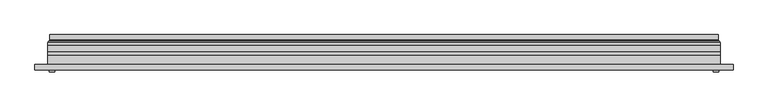
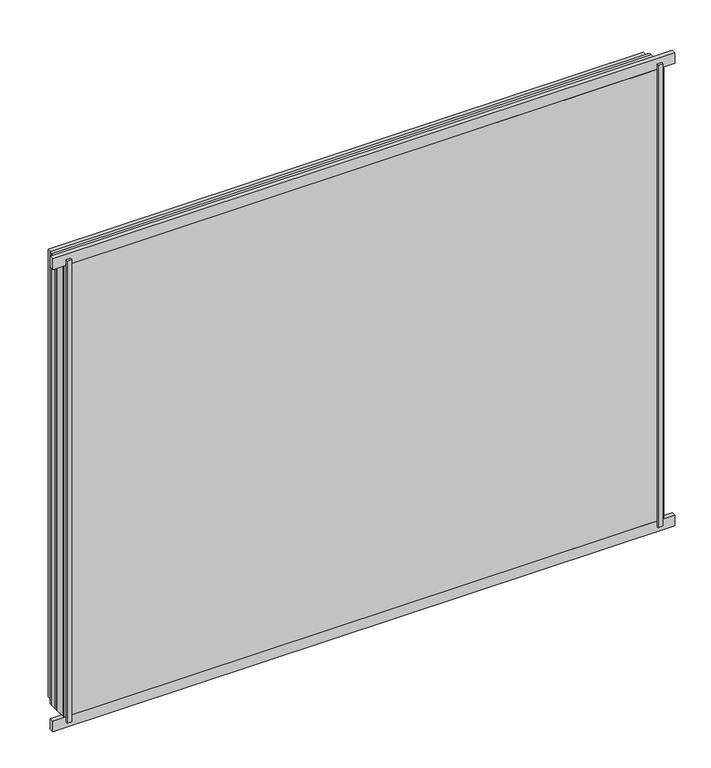
"""IFC4 building model written with IfcOpenShell, lengths in millimetres: plate geometry."""

from ifc_helpers import new_model, si_unit, frame, origin, origin_with_axes, place, context, project, spatial, polyline, ellipse_curve, outline, extrude, source, transform, mapped, element, save
from ifc_brep_helpers import plane_surface, cylinder_surface, revolved_surface, advanced_brep


def plate_bf51fdfe(model_context):
    return source(origin(), model_context, "Body", "SolidModel", [
        extrude(outline(polyline([(33.5, -591.5), (33.5, 591.5), (966.5, 591.5), (966.5, -591.5), (33.5, -591.5)]), holes=[polyline([(38.5, 586.5), (38.5, -586.5), (961.5, -586.5), (961.5, 586.5), (38.5, 586.5)])]), frame((0.0, 0.0, 0.0), z_axis=(0.0, 1.0, 0.0), x_axis=(0.0, 0.0, 1.0)), (0.0, 0.0, 1.0), 12.0),
        extrude(outline(polyline([(11.5, -613.5), (11.5, 613.5), (988.5, 613.5), (988.5, -613.5), (11.5, -613.5)]), holes=[polyline([(33.5, 591.5), (33.5, -591.5), (966.5, -591.5), (966.5, 591.5), (33.5, 591.5)])]), frame((0.0, -26.0, 0.0), z_axis=(0.0, 1.0, 0.0), x_axis=(0.0, 0.0, 1.0)), (0.0, 0.0, 1.0), 20.0),
        extrude(outline(polyline([(11.5, -613.5), (11.5, 613.5), (988.5, 613.5), (988.5, -613.5), (11.5, -613.5)]), holes=[polyline([(33.5, 591.5), (33.5, -591.5), (966.5, -591.5), (966.5, 591.5), (33.5, 591.5)])]), frame((0.0, -26.0, 0.0), z_axis=(0.0, 1.0, 0.0), x_axis=(0.0, 0.0, 1.0)), (0.0, 0.0, 1.0), 20.0),
        extrude(outline(polyline([(613.5, -6.0), (-613.5, -6.0), (-613.5, 0.0), (613.5, 0.0), (613.5, -6.0)])), frame((0.0, 0.0, 11.5), z_axis=(0.0, 0.0, 1.0), x_axis=(1.0, 0.0, 0.0)), (0.0, 0.0, 1.0), 977.0),
        extrude(outline(polyline([(600.0, -32.0), (610.0, -32.0), (610.0, -36.0), (600.0, -36.0), (600.0, -32.0)])), origin_with_axes(), (0.0, 0.0, 1.0), 1000.0),
        extrude(outline(polyline([(-600.0, -32.0), (-600.0, -36.0), (-610.0, -36.0), (-610.0, -32.0), (-600.0, -32.0)])), origin_with_axes(), (0.0, 0.0, 1.0), 1000.0),
        extrude(outline(polyline([(636.5, -32.0), (-636.5, -32.0), (-636.5, -22.51), (636.5, -22.51), (636.5, -32.0)])), frame((0.0, 0.0, -11.5), z_axis=(0.0, 0.0, 1.0), x_axis=(1.0, 0.0, 0.0)), (0.0, 0.0, 1.0), 23.0),
        extrude(outline(polyline([(636.5, -32.0), (-636.5, -32.0), (-636.5, -22.51), (636.5, -22.51), (636.5, -32.0)])), frame((0.0, 0.0, 988.5), z_axis=(0.0, 0.0, 1.0), x_axis=(1.0, 0.0, 0.0)), (0.0, 0.0, 1.0), 23.0),
        extrude(outline(polyline([(11.5, -613.5), (11.5, 613.5), (988.5, 613.5), (988.5, -613.5), (11.5, -613.5)]), holes=[polyline([(33.5, 591.5), (33.5, -591.5), (966.5, -591.5), (966.5, 591.5), (33.5, 591.5)])]), frame((0.0, 0.0, 0.0), z_axis=(0.0, 1.0, 0.0), x_axis=(0.0, 0.0, 1.0)), (0.0, 0.0, 1.0), 12.0),
        extrude(outline(polyline([(33.5, -591.5), (33.5, 591.5), (966.5, 591.5), (966.5, -591.5), (33.5, -591.5)]), holes=[polyline([(38.5, 586.5), (38.5, -586.5), (961.5, -586.5), (961.5, 586.5), (38.5, 586.5)])]), frame((0.0, -26.0, 0.0), z_axis=(0.0, 1.0, 0.0), x_axis=(0.0, 0.0, 1.0)), (0.0, 0.0, 1.0), 20.0),
        extrude(outline(polyline([(613.5, 18.0), (613.5, 12.0), (-613.5, 12.0), (-613.5, 18.0), (613.5, 18.0)])), frame((0.0, 0.0, 11.5), z_axis=(0.0, 0.0, 1.0), x_axis=(1.0, 0.0, 0.0)), (0.0, 0.0, 1.0), 977.0),
        extrude(outline(polyline([(-613.5, -32.0), (-613.5, -26.0), (613.5, -26.0), (613.5, -32.0), (-613.5, -32.0)])), frame((0.0, 0.0, 11.5), z_axis=(0.0, 0.0, 1.0), x_axis=(1.0, 0.0, 0.0)), (0.0, 0.0, 1.0), 977.0),
        advanced_brep(
        [(600.0000103, 32.0, 24.9999897), (-600.0000103, 32.0, 24.9999897), (-600.0000103, 21.9110895, 24.9999897), (600.0000103, 21.9110895, 24.9999897), (608.9986527, 23.3044663, 16.0013474), (-608.9986527, 23.3044663, 16.0013474), (-608.9986527, 32.0, 16.0013474), (608.9986527, 32.0, 16.0013474), (610.6689728, 20.9442833, 14.3310273), (-610.6689728, 20.9442833, 14.3310273), (610.2544044, 18.0034569, 14.7455956), (-610.2544044, 18.0034569, 14.7455956), (599.0620949, 20.2163959, 25.9379052), (-599.0620949, 20.2163959, 25.9379052), (-599.6992268, 18.0000006, 25.3007732), (599.6992268, 18.0000006, 25.3007732), (-600.0000103, 32.0, 975.0000103), (-600.0000103, 21.9110895, 975.0000103), (-608.9986527, 23.3044663, 983.9986526), (-608.9986527, 32.0, 983.9986526), (-610.6689728, 20.9442833, 985.6689727), (-610.2544044, 18.0034569, 985.2544044), (-599.0620949, 20.2163959, 974.0620948), (-599.6992268, 18.0000006, 974.6992268), (600.0000103, 32.0, 975.0000103), (600.0000103, 21.9110895, 975.0000103), (608.9986527, 23.3044663, 983.9986526), (608.9986527, 32.0, 983.9986526), (610.6689728, 20.9442833, 985.6689727), (610.2544044, 18.0034569, 985.2544044), (599.0620949, 20.2163959, 974.0620948), (599.6992268, 18.0000006, 974.6992268)],
        [
            (0, 1),
            (1, 2),
            (2, 3),
            (3, 0),
            (4, 5),
            (5, 6),
            (6, 7),
            (7, 4),
            (8, 9),
            (9, 5, ellipse_curve(frame((-611.3086832, 23.1681522, 13.6913168), z_axis=(-0.7071067811865475, 0.0, 0.7071067811865475), x_axis=(-0.7071067811865476, 0.0, -0.7071067811865474)), 3.2725594, 2.314049)),
            (4, 8, ellipse_curve(frame((611.3086832, 23.1681522, 13.6913168), z_axis=(0.7071067811865475, 0.0, 0.7071067811865475), x_axis=(-0.7071067811865476, 0.0, 0.7071067811865474)), 3.2725594, 2.314049)),
            (10, 11),
            (11, 9, ellipse_curve(frame((-610.2544044, 19.5030909, 14.7455956), z_axis=(0.7071067811865475, 0.0, -0.7071067811865475), x_axis=(0.7071067811865476, 0.0, 0.7071067811865474)), 2.1208028, 1.4996341)),
            (8, 10, ellipse_curve(frame((610.2544044, 19.5030909, 14.7455956), z_axis=(-0.7071067811865475, 0.0, -0.7071067811865475), x_axis=(0.7071067811865476, 0.0, -0.7071067811865474)), 2.1208028, 1.4996341)),
            (12, 13),
            (13, 14, ellipse_curve(frame((-599.6992268, 19.1997743, 25.3007732), z_axis=(0.7071067811865475, 0.0, -0.7071067811865475), x_axis=(0.7071067811865476, 0.0, 0.7071067811865474)), 1.6967361, 1.1997736)),
            (14, 15),
            (15, 12, ellipse_curve(frame((599.6992268, 19.1997743, 25.3007732), z_axis=(-0.7071067811865475, 0.0, -0.7071067811865475), x_axis=(0.7071067811865476, 0.0, -0.7071067811865474)), 1.6967361, 1.1997736)),
            (2, 13, ellipse_curve(frame((-598.0000051, 21.9110895, 26.9999949), z_axis=(-0.7071067811865475, 0.0, 0.7071067811865475), x_axis=(-0.7071067811865476, 0.0, -0.7071067811865474)), 2.8284345, 2.0000052)),
            (12, 3, ellipse_curve(frame((598.0000051, 21.9110895, 26.9999949), z_axis=(0.7071067811865475, 0.0, 0.7071067811865475), x_axis=(-0.7071067811865476, 0.0, 0.7071067811865474)), 2.8284345, 2.0000052)),
            (1, 16),
            (16, 17),
            (17, 2),
            (5, 18),
            (18, 19),
            (19, 6),
            (9, 20),
            (20, 18, ellipse_curve(frame((-611.3086832, 23.1681522, 986.3086832), z_axis=(0.7071067811865475, 0.0, 0.7071067811865475), x_axis=(-0.7071067811865474, 0.0, 0.7071067811865476)), 3.2725594, 2.314049)),
            (11, 21),
            (21, 20, ellipse_curve(frame((-610.2544044, 19.5030909, 985.2544044), z_axis=(-0.7071067811865475, 0.0, -0.7071067811865475), x_axis=(0.7071067811865474, 0.0, -0.7071067811865476)), 2.1208028, 1.4996341)),
            (13, 22),
            (22, 23, ellipse_curve(frame((-599.6992268, 19.1997743, 974.6992268), z_axis=(-0.7071067811865475, 0.0, -0.7071067811865475), x_axis=(0.7071067811865474, 0.0, -0.7071067811865476)), 1.6967361, 1.1997736)),
            (23, 14),
            (17, 22, ellipse_curve(frame((-598.0000051, 21.9110895, 973.0000051), z_axis=(0.7071067811865475, 0.0, 0.7071067811865475), x_axis=(-0.7071067811865474, 0.0, 0.7071067811865476)), 2.8284345, 2.0000052)),
            (16, 24),
            (24, 25),
            (25, 17),
            (18, 26),
            (26, 27),
            (27, 19),
            (20, 28),
            (28, 26, ellipse_curve(frame((611.3086832, 23.1681522, 986.3086832), z_axis=(0.7071067811865475, 0.0, -0.7071067811865475), x_axis=(0.7071067811865476, 0.0, 0.7071067811865474)), 3.2725594, 2.314049)),
            (21, 29),
            (29, 28, ellipse_curve(frame((610.2544044, 19.5030909, 985.2544044), z_axis=(-0.7071067811865475, 0.0, 0.7071067811865475), x_axis=(-0.7071067811865476, 0.0, -0.7071067811865474)), 2.1208028, 1.4996341)),
            (22, 30),
            (30, 31, ellipse_curve(frame((599.6992268, 19.1997743, 974.6992268), z_axis=(-0.7071067811865475, 0.0, 0.7071067811865475), x_axis=(-0.7071067811865476, 0.0, -0.7071067811865474)), 1.6967361, 1.1997736)),
            (31, 23),
            (25, 30, ellipse_curve(frame((598.0000051, 21.9110895, 973.0000051), z_axis=(0.7071067811865475, 0.0, -0.7071067811865475), x_axis=(0.7071067811865476, 0.0, 0.7071067811865474)), 2.8284345, 2.0000052)),
            (24, 0),
            (3, 25),
            (26, 4),
            (7, 27),
            (28, 8),
            (29, 10),
            (31, 15),
            (30, 12),
        ],
        [
            plane_surface(frame((600.0000103, 21.9110895, 24.9999897), z_axis=(0.0, 0.0, 1.0), x_axis=(-1.0, 0.0, 0.0))),
            plane_surface(frame((608.9986527, 32.0, 16.0013474), z_axis=(0.0, 0.0, -1.0), x_axis=(-1.0, 0.0, 0.0))),
            revolved_surface(polyline([(-613.6227321435756, 25.482201200000002, 13.6913168), (613.6227321435758, 25.482201200000002, 13.6913168)]), (600.0, 23.1681522, 13.6913168), (-1.0, 0.0, 0.0)),
            cylinder_surface(frame((600.0, 19.5030909, 14.7455956), z_axis=(1.0, 0.0, 0.0), x_axis=(0.0, 1.0, 0.0)), 1.4996341),
            cylinder_surface(frame((600.0, 19.1997743, 25.3007732), z_axis=(1.0, 0.0, 0.0), x_axis=(0.0, 1.0, 0.0)), 1.1997736),
            revolved_surface(polyline([(-600.0000103150919, 23.9110947, 26.9999949), (600.0000103150919, 23.9110947, 26.9999949)]), (600.0, 21.9110895, 26.9999949), (-1.0, 0.0, 0.0)),
            plane_surface(frame((-600.0000103, 21.9110895, 24.9999897), z_axis=(1.0, 0.0, 0.0), x_axis=(0.0, 0.0, 1.0))),
            plane_surface(frame((-608.9986527, 32.0, 16.0013474), z_axis=(-1.0, 0.0, 0.0), x_axis=(0.0, 0.0, 1.0))),
            revolved_surface(polyline([(-611.3086832, 25.482201200000002, 988.6227321435758), (-611.3086832, 25.482201200000002, 11.37726785642422)]), (-611.3086832, 23.1681522, 25.0), (0.0, 0.0, 1.0)),
            cylinder_surface(frame((-610.2544044, 19.5030909, 25.0), z_axis=(0.0, 0.0, -1.0), x_axis=(0.0, 1.0, 0.0)), 1.4996341),
            cylinder_surface(frame((-599.6992268, 19.1997743, 25.0), z_axis=(0.0, 0.0, -1.0), x_axis=(0.0, 1.0, 0.0)), 1.1997736),
            revolved_surface(polyline([(-598.0000051, 23.9110947, 975.0000103150919), (-598.0000051, 23.9110947, 24.99998968490802)]), (-598.0000051, 21.9110895, 25.0), (0.0, 0.0, 1.0)),
            plane_surface(frame((-600.0000103, 21.9110895, 975.0000103), z_axis=(0.0, 0.0, -1.0), x_axis=(1.0, 0.0, 0.0))),
            plane_surface(frame((-608.9986527, 32.0, 983.9986526), z_axis=(0.0, 0.0, 1.0), x_axis=(1.0, 0.0, 0.0))),
            revolved_surface(polyline([(613.6227321435756, 25.482201200000002, 986.3086832), (-613.6227321435758, 25.482201200000002, 986.3086832)]), (-600.0, 23.1681522, 986.3086832), (1.0, 0.0, 0.0)),
            cylinder_surface(frame((-600.0, 19.5030909, 985.2544044), z_axis=(-1.0, 0.0, 0.0), x_axis=(0.0, 1.0, 0.0)), 1.4996341),
            cylinder_surface(frame((-600.0, 19.1997743, 974.6992268), z_axis=(-1.0, 0.0, 0.0), x_axis=(0.0, 1.0, 0.0)), 1.1997736),
            revolved_surface(polyline([(600.0000103150919, 23.9110947, 973.0000051), (-600.0000103150919, 23.9110947, 973.0000051)]), (-600.0, 21.9110895, 973.0000051), (1.0, 0.0, 0.0)),
            plane_surface(frame((600.0000103, 21.9110895, 975.0000103), z_axis=(-1.0, 0.0, 0.0), x_axis=(0.0, 0.0, -1.0))),
            plane_surface(frame((608.9986527, 32.0, 983.9986526), z_axis=(1.0, 0.0, 0.0), x_axis=(0.0, 0.0, -1.0))),
            revolved_surface(polyline([(611.3086832, 25.482201200000002, 11.377267856424169), (611.3086832, 25.482201200000002, 988.6227321435758)]), (611.3086832, 23.1681522, 975.0), (0.0, 0.0, -1.0)),
            cylinder_surface(frame((610.2544044, 19.5030909, 975.0), z_axis=(0.0, 0.0, 1.0), x_axis=(0.0, 1.0, 0.0)), 1.4996341),
            plane_surface(frame((610.2544044, 18.0000006, 985.2544044), z_axis=(0.0, -1.0, 0.0), x_axis=(0.0, 0.0, -1.0))),
            cylinder_surface(frame((599.6992268, 19.1997743, 975.0), z_axis=(0.0, 0.0, 1.0), x_axis=(0.0, 1.0, 0.0)), 1.1997736),
            revolved_surface(polyline([(598.0000051, 23.9110947, 24.999989684908087), (598.0000051, 23.9110947, 975.0000103150919)]), (598.0000051, 21.9110895, 975.0), (0.0, 0.0, -1.0)),
            plane_surface(frame((600.0000103, 32.0, 975.0000103), z_axis=(0.0, 1.0, 0.0), x_axis=(0.0, 0.0, -1.0))),
        ],
        [
            (0, [[1, 2, 3, 4]]),
            (1, [[5, 6, 7, 8]]),
            (2, [[9, 10, -5, 11]]),
            (3, [[12, 13, -9, 14]]),
            (4, [[15, 16, 17, 18]]),
            (5, [[-3, 19, -15, 20]]),
            (6, [[21, 22, 23, -2]]),
            (7, [[24, 25, 26, -6]]),
            (8, [[27, 28, -24, -10]]),
            (9, [[29, 30, -27, -13]]),
            (10, [[31, 32, 33, -16]]),
            (11, [[-23, 34, -31, -19]]),
            (12, [[35, 36, 37, -22]]),
            (13, [[38, 39, 40, -25]]),
            (14, [[41, 42, -38, -28]]),
            (15, [[43, 44, -41, -30]]),
            (16, [[45, 46, 47, -32]]),
            (17, [[-37, 48, -45, -34]]),
            (18, [[49, -4, 50, -36]]),
            (19, [[51, -8, 52, -39]]),
            (20, [[53, -11, -51, -42]]),
            (21, [[54, -14, -53, -44]]),
            (22, [[-12, -54, -43, -29], [-17, -33, -47, 55]]),
            (23, [[56, -18, -55, -46]]),
            (24, [[-50, -20, -56, -48]]),
            (25, [[-7, -26, -40, -52], [-1, -49, -35, -21]]),
        ],
    ),
    ])


if __name__ == "__main__":
    model = new_model("IFC4")
    model_context = context("Model", 3, world=origin())
    ifc_project = project(units=[si_unit("LENGTHUNIT", "METRE", prefix="MILLI")], contexts=[model_context])
    site = spatial("IfcSite", under=ifc_project)
    building = spatial("IfcBuilding", under=site)
    placement = place(None, origin())
    plate_shape = plate_bf51fdfe(model_context)
    element("IfcPlate", 1, at=placement, inside=building, context=model_context, shape_type="MappedRepresentation", body=[
        mapped(plate_shape, transform((0.0, 0.0, 0.0), x_axis=(1.0, 0.0, 0.0), y_axis=(0.0, 1.0, 0.0), z_axis=(0.0, 0.0, 1.0))),
    ])
    save(model, "model.ifc")
